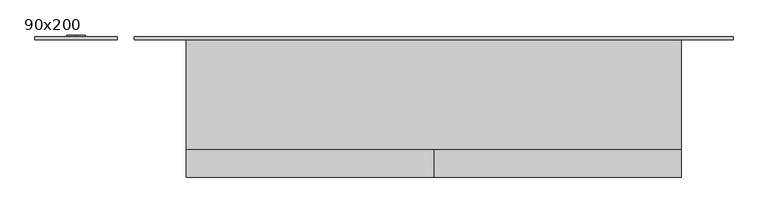
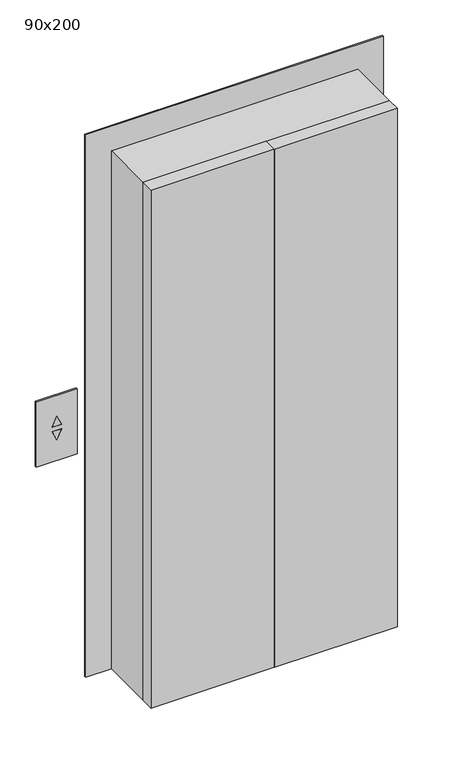
"""IFC4 building model written with IfcOpenShell, lengths in millimetres: proxy geometry, 90x200."""

from ifc_helpers import new_model, si_unit, frame, origin, origin_with_axes, place, context, project, spatial, polyline, outline, extrude, faceted_brep, source, transform, mapped, element, save


def proxy_90x200_105cda38(model_context):
    return source(origin(), model_context, "Body", "SolidModel", [
        extrude(outline(polyline([(500.0, -150.0), (51.0, -150.0), (51.0, -100.0), (500.0, -100.0), (500.0, -150.0)])), origin_with_axes(), (0.0, 0.0, 1.0), 2000.0),
        extrude(outline(polyline([(50.0, -150.0), (-400.0, -150.0), (-400.0, -100.0), (50.0, -100.0), (50.0, -150.0)])), origin_with_axes(), (0.0, 0.0, 1.0), 2000.0),
        faceted_brep([(594.0, 106.0, 0.0), (594.0, 100.0, 0.0), (500.0, 100.0, 0.0), (500.0, -100.0, 0.0), (494.0, -100.0, 0.0), (494.0, 106.0, 0.0), (594.0, 106.0, 2094.0), (594.0, 100.0, 2094.0), (-494.0, 100.0, 2094.0), (-494.0, 100.0, 0.0), (-400.0, 100.0, 0.0), (-400.0, 100.0, 2000.0), (500.0, 100.0, 2000.0), (500.0, -100.0, 2000.0), (-400.0, -100.0, 2000.0), (-400.0, -100.0, 0.0), (-394.0, -100.0, 0.0), (-394.0, -100.0, 1994.0), (494.0, -100.0, 1994.0), (494.0, 106.0, 1994.0), (-394.0, 106.0, 1994.0), (-394.0, 106.0, 0.0), (-494.0, 106.0, 0.0), (-494.0, 106.0, 2094.0)], [[[0, 1, 2, 3, 4, 5]], [[1, 0, 6, 7]], [[2, 1, 7, 8, 9, 10, 11, 12]], [[3, 2, 12, 13]], [[4, 3, 13, 14, 15, 16, 17, 18]], [[5, 4, 18, 19]], [[0, 5, 19, 20, 21, 22, 23, 6]], [[7, 6, 23, 8]], [[13, 12, 11, 14]], [[19, 18, 17, 20]], [[22, 21, 16, 15, 10, 9]], [[8, 23, 22, 9]], [[14, 11, 10, 15]], [[20, 17, 16, 21]]]),
        extrude(outline(polyline([(1008.7476885, -583.0952695), (1045.0, -600.0), (1008.7476885, -616.9047305), (1008.7476885, -583.0952695)])), frame((0.0, 100.0, 0.0), z_axis=(0.0, 1.0, 0.0), x_axis=(0.0, 0.0, 1.0)), (0.0, 0.0, 1.0), 9.0),
        extrude(outline(polyline([(991.2523115, -583.0952695), (991.2523115, -616.9047305), (955.0, -600.0), (991.2523115, -583.0952695)])), frame((0.0, 100.0, 0.0), z_axis=(0.0, 1.0, 0.0), x_axis=(0.0, 0.0, 1.0)), (0.0, 0.0, 1.0), 9.0),
        extrude(outline(polyline([(875.0, -675.0), (875.0, -525.0), (1125.0, -525.0), (1125.0, -675.0), (875.0, -675.0)]), holes=[polyline([(1008.7476885, -583.0952695), (1008.7476885, -616.9047305), (1045.0, -600.0), (1008.7476885, -583.0952695)]), polyline([(991.2523115, -583.0952695), (955.0, -600.0), (991.2523115, -616.9047305), (991.2523115, -583.0952695)])]), frame((0.0, 100.0, 0.0), z_axis=(0.0, 1.0, 0.0), x_axis=(0.0, 0.0, 1.0)), (0.0, 0.0, 1.0), 6.0),
    ])


if __name__ == "__main__":
    model = new_model("IFC4")
    model_context = context("Model", 3, world=origin())
    ifc_project = project(units=[si_unit("LENGTHUNIT", "METRE", prefix="MILLI")], contexts=[model_context])
    site = spatial("IfcSite", under=ifc_project)
    building = spatial("IfcBuilding", under=site)
    placement = place(None, origin())
    proxy_90x200_shape = proxy_90x200_105cda38(model_context)
    element("IfcBuildingElementProxy", 1, Name="90x200", ObjectType="90x200", at=placement, inside=building, context=model_context, shape_type="MappedRepresentation", body=[
        mapped(proxy_90x200_shape, transform((0.0, 0.0, 0.0), x_axis=(1.0, 0.0, 0.0), y_axis=(0.0, 1.0, 0.0), z_axis=(0.0, 0.0, 1.0))),
    ])
    save(model, "model.ifc")
